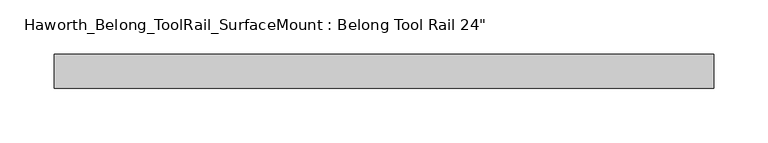
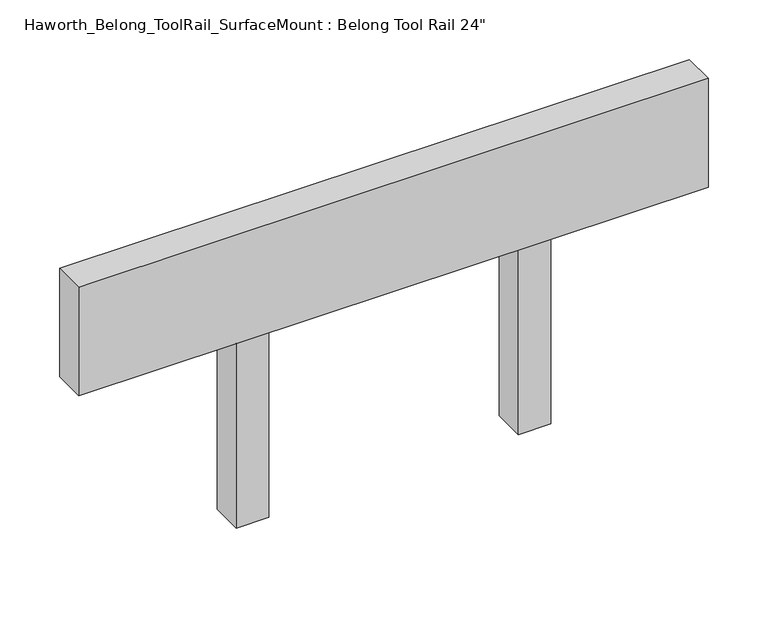
"""IFC4 building model written with IfcOpenShell, lengths in millimetres: furniture geometry."""

from ifc_helpers import new_model, si_unit, frame, origin, place, context, project, spatial, polyline, outline, extrude, source, transform, mapped, element, save


def furniture_9a5988a1(model_context):
    return source(origin(), model_context, "Body", "SweptSolid", [
        extrude(outline(polyline([(304.8, 15.875), (304.8, -15.875), (-304.8, -15.875), (-304.8, 15.875), (304.8, 15.875)])), frame((0.0, 0.0, 950.9125), z_axis=(0.0, 0.0, 1.0), x_axis=(1.0, 0.0, 0.0)), (0.0, 0.0, 1.0), 111.125),
        extrude(outline(polyline([(-152.4, 15.875), (-120.65, 15.875), (-120.65, -15.875), (-152.4, -15.875), (-152.4, 15.875)])), frame((0.0, 0.0, 762.0), z_axis=(0.0, 0.0, 1.0), x_axis=(1.0, 0.0, 0.0)), (0.0, 0.0, 1.0), 188.9125),
        extrude(outline(polyline([(120.65, 15.875), (152.4, 15.875), (152.4, -15.875), (120.65, -15.875), (120.65, 15.875)])), frame((0.0, 0.0, 762.0), z_axis=(0.0, 0.0, 1.0), x_axis=(1.0, 0.0, 0.0)), (0.0, 0.0, 1.0), 188.9125),
    ])


if __name__ == "__main__":
    model = new_model("IFC4")
    model_context = context("Model", 3, world=origin())
    ifc_project = project(units=[si_unit("LENGTHUNIT", "METRE", prefix="MILLI")], contexts=[model_context])
    site = spatial("IfcSite", under=ifc_project)
    building = spatial("IfcBuilding", under=site)
    placement = place(None, origin())
    furniture_shape = furniture_9a5988a1(model_context)
    element("IfcFurniture", 1, ObjectType="Haworth_Belong_ToolRail_SurfaceMount : Belong Tool Rail 24\"", at=placement, inside=building, context=model_context, shape_type="MappedRepresentation", body=[
        mapped(furniture_shape, transform((0.0, 0.0, 0.0), x_axis=(1.0, 0.0, 0.0), y_axis=(0.0, 1.0, 0.0), z_axis=(0.0, 0.0, 1.0))),
    ])
    save(model, "model.ifc")
